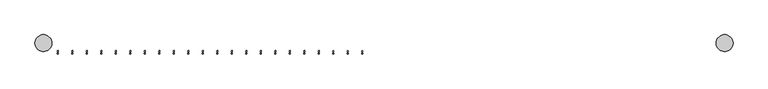
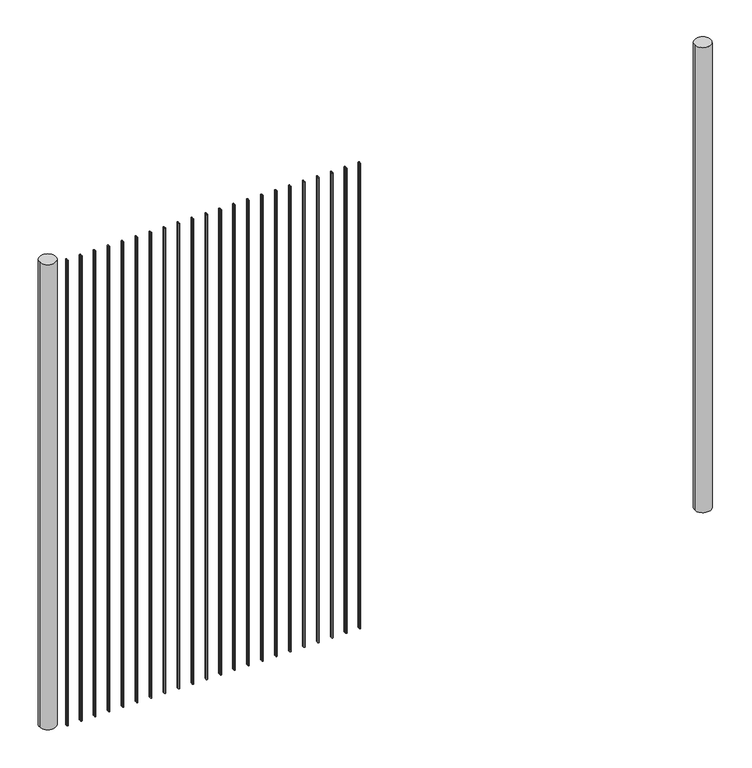
"""IFC4 building model written with IfcOpenShell, lengths in millimetres: railing geometry."""

from ifc_helpers import new_model, si_unit, point, frame, frame_2d, origin, place, context, project, spatial, circle_curve, trimmed, segment, composite_curve, outline, extrude, source, transform, mapped, element, save


def railing_7513a15b(model_context):
    return source(origin(), model_context, "Body", "SweptSolid", [
        extrude(outline(composite_curve([segment(trimmed(circle_curve(frame_2d((-4048.0794142, 643.7787637)), 2.0574), [point((-4048.0794142, 641.7213637))], [point((-4048.0794142, 645.8361637))], False, "CARTESIAN"), True, "CONTINUOUS"), segment(trimmed(circle_curve(frame_2d((-4048.0794142, 643.7787637)), 2.0574), [point((-4048.0794142, 645.8361637))], [point((-4048.0794142, 641.7213637))], False, "CARTESIAN"), True, "CONTINUOUS")], self_intersect=False)), frame((0.0, 0.0, 7620.0), z_axis=(0.0, 0.0, 1.0), x_axis=(1.0, 0.0, 0.0)), (0.0, 0.0, 1.0), 1828.8),
        extrude(outline(composite_curve([segment(trimmed(circle_curve(frame_2d((-4048.0794142, 635.5491637)), 2.0574), [point((-4048.0794142, 637.6065637))], [point((-4048.0794142, 633.4917637))], False, "CARTESIAN"), True, "CONTINUOUS"), segment(trimmed(circle_curve(frame_2d((-4048.0794142, 635.5491637)), 2.0574), [point((-4048.0794142, 633.4917637))], [point((-4048.0794142, 637.6065637))], False, "CARTESIAN"), True, "CONTINUOUS")], self_intersect=False)), frame((0.0, 0.0, 7620.0), z_axis=(0.0, 0.0, 1.0), x_axis=(1.0, 0.0, 0.0)), (0.0, 0.0, 1.0), 1828.8),
        extrude(outline(composite_curve([segment(trimmed(circle_curve(frame_2d((-4099.9602653, 643.7787637)), 2.0574), [point((-4099.9602653, 641.7213637))], [point((-4099.9602653, 645.8361637))], False, "CARTESIAN"), True, "CONTINUOUS"), segment(trimmed(circle_curve(frame_2d((-4099.9602653, 643.7787637)), 2.0574), [point((-4099.9602653, 645.8361637))], [point((-4099.9602653, 641.7213637))], False, "CARTESIAN"), True, "CONTINUOUS")], self_intersect=False)), frame((0.0, 0.0, 7620.0), z_axis=(0.0, 0.0, 1.0), x_axis=(1.0, 0.0, 0.0)), (0.0, 0.0, 1.0), 1828.8),
        extrude(outline(composite_curve([segment(trimmed(circle_curve(frame_2d((-4099.9602653, 635.5491637)), 2.0574), [point((-4099.9602653, 637.6065637))], [point((-4099.9602653, 633.4917637))], False, "CARTESIAN"), True, "CONTINUOUS"), segment(trimmed(circle_curve(frame_2d((-4099.9602653, 635.5491637)), 2.0574), [point((-4099.9602653, 633.4917637))], [point((-4099.9602653, 637.6065637))], False, "CARTESIAN"), True, "CONTINUOUS")], self_intersect=False)), frame((0.0, 0.0, 7620.0), z_axis=(0.0, 0.0, 1.0), x_axis=(1.0, 0.0, 0.0)), (0.0, 0.0, 1.0), 1828.8),
        extrude(outline(composite_curve([segment(trimmed(circle_curve(frame_2d((-4151.8411163, 643.7787637)), 2.0574), [point((-4151.8411163, 641.7213637))], [point((-4151.8411163, 645.8361637))], False, "CARTESIAN"), True, "CONTINUOUS"), segment(trimmed(circle_curve(frame_2d((-4151.8411163, 643.7787637)), 2.0574), [point((-4151.8411163, 645.8361637))], [point((-4151.8411163, 641.7213637))], False, "CARTESIAN"), True, "CONTINUOUS")], self_intersect=False)), frame((0.0, 0.0, 7620.0), z_axis=(0.0, 0.0, 1.0), x_axis=(1.0, 0.0, 0.0)), (0.0, 0.0, 1.0), 1828.8),
        extrude(outline(composite_curve([segment(trimmed(circle_curve(frame_2d((-4151.8411163, 635.5491637)), 2.0574), [point((-4151.8411163, 637.6065637))], [point((-4151.8411163, 633.4917637))], False, "CARTESIAN"), True, "CONTINUOUS"), segment(trimmed(circle_curve(frame_2d((-4151.8411163, 635.5491637)), 2.0574), [point((-4151.8411163, 633.4917637))], [point((-4151.8411163, 637.6065637))], False, "CARTESIAN"), True, "CONTINUOUS")], self_intersect=False)), frame((0.0, 0.0, 7620.0), z_axis=(0.0, 0.0, 1.0), x_axis=(1.0, 0.0, 0.0)), (0.0, 0.0, 1.0), 1828.8),
        extrude(outline(composite_curve([segment(trimmed(circle_curve(frame_2d((-4203.7219674, 643.7787637)), 2.0574), [point((-4203.7219674, 641.7213637))], [point((-4203.7219674, 645.8361637))], False, "CARTESIAN"), True, "CONTINUOUS"), segment(trimmed(circle_curve(frame_2d((-4203.7219674, 643.7787637)), 2.0574), [point((-4203.7219674, 645.8361637))], [point((-4203.7219674, 641.7213637))], False, "CARTESIAN"), True, "CONTINUOUS")], self_intersect=False)), frame((0.0, 0.0, 7620.0), z_axis=(0.0, 0.0, 1.0), x_axis=(1.0, 0.0, 0.0)), (0.0, 0.0, 1.0), 1828.8),
        extrude(outline(composite_curve([segment(trimmed(circle_curve(frame_2d((-4203.7219674, 635.5491637)), 2.0574), [point((-4203.7219674, 637.6065637))], [point((-4203.7219674, 633.4917637))], False, "CARTESIAN"), True, "CONTINUOUS"), segment(trimmed(circle_curve(frame_2d((-4203.7219674, 635.5491637)), 2.0574), [point((-4203.7219674, 633.4917637))], [point((-4203.7219674, 637.6065637))], False, "CARTESIAN"), True, "CONTINUOUS")], self_intersect=False)), frame((0.0, 0.0, 7620.0), z_axis=(0.0, 0.0, 1.0), x_axis=(1.0, 0.0, 0.0)), (0.0, 0.0, 1.0), 1828.8),
        extrude(outline(composite_curve([segment(trimmed(circle_curve(frame_2d((-4255.6028185, 643.7787637)), 2.0574), [point((-4255.6028185, 641.7213637))], [point((-4255.6028185, 645.8361637))], False, "CARTESIAN"), True, "CONTINUOUS"), segment(trimmed(circle_curve(frame_2d((-4255.6028185, 643.7787637)), 2.0574), [point((-4255.6028185, 645.8361637))], [point((-4255.6028185, 641.7213637))], False, "CARTESIAN"), True, "CONTINUOUS")], self_intersect=False)), frame((0.0, 0.0, 7620.0), z_axis=(0.0, 0.0, 1.0), x_axis=(1.0, 0.0, 0.0)), (0.0, 0.0, 1.0), 1828.8),
        extrude(outline(composite_curve([segment(trimmed(circle_curve(frame_2d((-4255.6028185, 635.5491637)), 2.0574), [point((-4255.6028185, 637.6065637))], [point((-4255.6028185, 633.4917637))], False, "CARTESIAN"), True, "CONTINUOUS"), segment(trimmed(circle_curve(frame_2d((-4255.6028185, 635.5491637)), 2.0574), [point((-4255.6028185, 633.4917637))], [point((-4255.6028185, 637.6065637))], False, "CARTESIAN"), True, "CONTINUOUS")], self_intersect=False)), frame((0.0, 0.0, 7620.0), z_axis=(0.0, 0.0, 1.0), x_axis=(1.0, 0.0, 0.0)), (0.0, 0.0, 1.0), 1828.8),
        extrude(outline(composite_curve([segment(trimmed(circle_curve(frame_2d((-4307.4836695, 643.7787637)), 2.0574), [point((-4307.4836695, 641.7213637))], [point((-4307.4836695, 645.8361637))], False, "CARTESIAN"), True, "CONTINUOUS"), segment(trimmed(circle_curve(frame_2d((-4307.4836695, 643.7787637)), 2.0574), [point((-4307.4836695, 645.8361637))], [point((-4307.4836695, 641.7213637))], False, "CARTESIAN"), True, "CONTINUOUS")], self_intersect=False)), frame((0.0, 0.0, 7620.0), z_axis=(0.0, 0.0, 1.0), x_axis=(1.0, 0.0, 0.0)), (0.0, 0.0, 1.0), 1828.8),
        extrude(outline(composite_curve([segment(trimmed(circle_curve(frame_2d((-4307.4836695, 635.5491637)), 2.0574), [point((-4307.4836695, 637.6065637))], [point((-4307.4836695, 633.4917637))], False, "CARTESIAN"), True, "CONTINUOUS"), segment(trimmed(circle_curve(frame_2d((-4307.4836695, 635.5491637)), 2.0574), [point((-4307.4836695, 633.4917637))], [point((-4307.4836695, 637.6065637))], False, "CARTESIAN"), True, "CONTINUOUS")], self_intersect=False)), frame((0.0, 0.0, 7620.0), z_axis=(0.0, 0.0, 1.0), x_axis=(1.0, 0.0, 0.0)), (0.0, 0.0, 1.0), 1828.8),
        extrude(outline(composite_curve([segment(trimmed(circle_curve(frame_2d((-4359.3645206, 643.7787637)), 2.0574), [point((-4359.3645206, 641.7213637))], [point((-4359.3645206, 645.8361637))], False, "CARTESIAN"), True, "CONTINUOUS"), segment(trimmed(circle_curve(frame_2d((-4359.3645206, 643.7787637)), 2.0574), [point((-4359.3645206, 645.8361637))], [point((-4359.3645206, 641.7213637))], False, "CARTESIAN"), True, "CONTINUOUS")], self_intersect=False)), frame((0.0, 0.0, 7620.0), z_axis=(0.0, 0.0, 1.0), x_axis=(1.0, 0.0, 0.0)), (0.0, 0.0, 1.0), 1828.8),
        extrude(outline(composite_curve([segment(trimmed(circle_curve(frame_2d((-4359.3645206, 635.5491637)), 2.0574), [point((-4359.3645206, 637.6065637))], [point((-4359.3645206, 633.4917637))], False, "CARTESIAN"), True, "CONTINUOUS"), segment(trimmed(circle_curve(frame_2d((-4359.3645206, 635.5491637)), 2.0574), [point((-4359.3645206, 633.4917637))], [point((-4359.3645206, 637.6065637))], False, "CARTESIAN"), True, "CONTINUOUS")], self_intersect=False)), frame((0.0, 0.0, 7620.0), z_axis=(0.0, 0.0, 1.0), x_axis=(1.0, 0.0, 0.0)), (0.0, 0.0, 1.0), 1828.8),
        extrude(outline(composite_curve([segment(trimmed(circle_curve(frame_2d((-4411.2453717, 643.7787637)), 2.0574), [point((-4411.2453717, 641.7213637))], [point((-4411.2453717, 645.8361637))], False, "CARTESIAN"), True, "CONTINUOUS"), segment(trimmed(circle_curve(frame_2d((-4411.2453717, 643.7787637)), 2.0574), [point((-4411.2453717, 645.8361637))], [point((-4411.2453717, 641.7213637))], False, "CARTESIAN"), True, "CONTINUOUS")], self_intersect=False)), frame((0.0, 0.0, 7620.0), z_axis=(0.0, 0.0, 1.0), x_axis=(1.0, 0.0, 0.0)), (0.0, 0.0, 1.0), 1828.8),
        extrude(outline(composite_curve([segment(trimmed(circle_curve(frame_2d((-4411.2453717, 635.5491637)), 2.0574), [point((-4411.2453717, 637.6065637))], [point((-4411.2453717, 633.4917637))], False, "CARTESIAN"), True, "CONTINUOUS"), segment(trimmed(circle_curve(frame_2d((-4411.2453717, 635.5491637)), 2.0574), [point((-4411.2453717, 633.4917637))], [point((-4411.2453717, 637.6065637))], False, "CARTESIAN"), True, "CONTINUOUS")], self_intersect=False)), frame((0.0, 0.0, 7620.0), z_axis=(0.0, 0.0, 1.0), x_axis=(1.0, 0.0, 0.0)), (0.0, 0.0, 1.0), 1828.8),
        extrude(outline(composite_curve([segment(trimmed(circle_curve(frame_2d((-4463.1262227, 643.7787637)), 2.0574), [point((-4463.1262227, 641.7213637))], [point((-4463.1262227, 645.8361637))], False, "CARTESIAN"), True, "CONTINUOUS"), segment(trimmed(circle_curve(frame_2d((-4463.1262227, 643.7787637)), 2.0574), [point((-4463.1262227, 645.8361637))], [point((-4463.1262227, 641.7213637))], False, "CARTESIAN"), True, "CONTINUOUS")], self_intersect=False)), frame((0.0, 0.0, 7620.0), z_axis=(0.0, 0.0, 1.0), x_axis=(1.0, 0.0, 0.0)), (0.0, 0.0, 1.0), 1828.8),
        extrude(outline(composite_curve([segment(trimmed(circle_curve(frame_2d((-4463.1262227, 635.5491637)), 2.0574), [point((-4463.1262227, 637.6065637))], [point((-4463.1262227, 633.4917637))], False, "CARTESIAN"), True, "CONTINUOUS"), segment(trimmed(circle_curve(frame_2d((-4463.1262227, 635.5491637)), 2.0574), [point((-4463.1262227, 633.4917637))], [point((-4463.1262227, 637.6065637))], False, "CARTESIAN"), True, "CONTINUOUS")], self_intersect=False)), frame((0.0, 0.0, 7620.0), z_axis=(0.0, 0.0, 1.0), x_axis=(1.0, 0.0, 0.0)), (0.0, 0.0, 1.0), 1828.8),
        extrude(outline(composite_curve([segment(trimmed(circle_curve(frame_2d((-4515.0070738, 643.7787637)), 2.0574), [point((-4515.0070738, 641.7213637))], [point((-4515.0070738, 645.8361637))], False, "CARTESIAN"), True, "CONTINUOUS"), segment(trimmed(circle_curve(frame_2d((-4515.0070738, 643.7787637)), 2.0574), [point((-4515.0070738, 645.8361637))], [point((-4515.0070738, 641.7213637))], False, "CARTESIAN"), True, "CONTINUOUS")], self_intersect=False)), frame((0.0, 0.0, 7620.0), z_axis=(0.0, 0.0, 1.0), x_axis=(1.0, 0.0, 0.0)), (0.0, 0.0, 1.0), 1828.8),
        extrude(outline(composite_curve([segment(trimmed(circle_curve(frame_2d((-4515.0070738, 635.5491637)), 2.0574), [point((-4515.0070738, 637.6065637))], [point((-4515.0070738, 633.4917637))], False, "CARTESIAN"), True, "CONTINUOUS"), segment(trimmed(circle_curve(frame_2d((-4515.0070738, 635.5491637)), 2.0574), [point((-4515.0070738, 633.4917637))], [point((-4515.0070738, 637.6065637))], False, "CARTESIAN"), True, "CONTINUOUS")], self_intersect=False)), frame((0.0, 0.0, 7620.0), z_axis=(0.0, 0.0, 1.0), x_axis=(1.0, 0.0, 0.0)), (0.0, 0.0, 1.0), 1828.8),
        extrude(outline(composite_curve([segment(trimmed(circle_curve(frame_2d((-4566.8879248, 643.7787637)), 2.0574), [point((-4566.8879248, 641.7213637))], [point((-4566.8879248, 645.8361637))], False, "CARTESIAN"), True, "CONTINUOUS"), segment(trimmed(circle_curve(frame_2d((-4566.8879248, 643.7787637)), 2.0574), [point((-4566.8879248, 645.8361637))], [point((-4566.8879248, 641.7213637))], False, "CARTESIAN"), True, "CONTINUOUS")], self_intersect=False)), frame((0.0, 0.0, 7620.0), z_axis=(0.0, 0.0, 1.0), x_axis=(1.0, 0.0, 0.0)), (0.0, 0.0, 1.0), 1828.8),
        extrude(outline(composite_curve([segment(trimmed(circle_curve(frame_2d((-4566.8879248, 635.5491637)), 2.0574), [point((-4566.8879248, 637.6065637))], [point((-4566.8879248, 633.4917637))], False, "CARTESIAN"), True, "CONTINUOUS"), segment(trimmed(circle_curve(frame_2d((-4566.8879248, 635.5491637)), 2.0574), [point((-4566.8879248, 633.4917637))], [point((-4566.8879248, 637.6065637))], False, "CARTESIAN"), True, "CONTINUOUS")], self_intersect=False)), frame((0.0, 0.0, 7620.0), z_axis=(0.0, 0.0, 1.0), x_axis=(1.0, 0.0, 0.0)), (0.0, 0.0, 1.0), 1828.8),
        extrude(outline(composite_curve([segment(trimmed(circle_curve(frame_2d((-4618.7687759, 643.7787637)), 2.0574), [point((-4618.7687759, 641.7213637))], [point((-4618.7687759, 645.8361637))], False, "CARTESIAN"), True, "CONTINUOUS"), segment(trimmed(circle_curve(frame_2d((-4618.7687759, 643.7787637)), 2.0574), [point((-4618.7687759, 645.8361637))], [point((-4618.7687759, 641.7213637))], False, "CARTESIAN"), True, "CONTINUOUS")], self_intersect=False)), frame((0.0, 0.0, 7620.0), z_axis=(0.0, 0.0, 1.0), x_axis=(1.0, 0.0, 0.0)), (0.0, 0.0, 1.0), 1828.8),
        extrude(outline(composite_curve([segment(trimmed(circle_curve(frame_2d((-4618.7687759, 635.5491637)), 2.0574), [point((-4618.7687759, 637.6065637))], [point((-4618.7687759, 633.4917637))], False, "CARTESIAN"), True, "CONTINUOUS"), segment(trimmed(circle_curve(frame_2d((-4618.7687759, 635.5491637)), 2.0574), [point((-4618.7687759, 633.4917637))], [point((-4618.7687759, 637.6065637))], False, "CARTESIAN"), True, "CONTINUOUS")], self_intersect=False)), frame((0.0, 0.0, 7620.0), z_axis=(0.0, 0.0, 1.0), x_axis=(1.0, 0.0, 0.0)), (0.0, 0.0, 1.0), 1828.8),
        extrude(outline(composite_curve([segment(trimmed(circle_curve(frame_2d((-4670.649627, 643.7787637)), 2.0574), [point((-4670.649627, 641.7213637))], [point((-4670.649627, 645.8361637))], False, "CARTESIAN"), True, "CONTINUOUS"), segment(trimmed(circle_curve(frame_2d((-4670.649627, 643.7787637)), 2.0574), [point((-4670.649627, 645.8361637))], [point((-4670.649627, 641.7213637))], False, "CARTESIAN"), True, "CONTINUOUS")], self_intersect=False)), frame((0.0, 0.0, 7620.0), z_axis=(0.0, 0.0, 1.0), x_axis=(1.0, 0.0, 0.0)), (0.0, 0.0, 1.0), 1828.8),
        extrude(outline(composite_curve([segment(trimmed(circle_curve(frame_2d((-4670.649627, 635.5491637)), 2.0574), [point((-4670.649627, 637.6065637))], [point((-4670.649627, 633.4917637))], False, "CARTESIAN"), True, "CONTINUOUS"), segment(trimmed(circle_curve(frame_2d((-4670.649627, 635.5491637)), 2.0574), [point((-4670.649627, 633.4917637))], [point((-4670.649627, 637.6065637))], False, "CARTESIAN"), True, "CONTINUOUS")], self_intersect=False)), frame((0.0, 0.0, 7620.0), z_axis=(0.0, 0.0, 1.0), x_axis=(1.0, 0.0, 0.0)), (0.0, 0.0, 1.0), 1828.8),
        extrude(outline(composite_curve([segment(trimmed(circle_curve(frame_2d((-4722.530478, 643.7787637)), 2.0574), [point((-4722.530478, 641.7213637))], [point((-4722.530478, 645.8361637))], False, "CARTESIAN"), True, "CONTINUOUS"), segment(trimmed(circle_curve(frame_2d((-4722.530478, 643.7787637)), 2.0574), [point((-4722.530478, 645.8361637))], [point((-4722.530478, 641.7213637))], False, "CARTESIAN"), True, "CONTINUOUS")], self_intersect=False)), frame((0.0, 0.0, 7620.0), z_axis=(0.0, 0.0, 1.0), x_axis=(1.0, 0.0, 0.0)), (0.0, 0.0, 1.0), 1828.8),
        extrude(outline(composite_curve([segment(trimmed(circle_curve(frame_2d((-4722.530478, 635.5491637)), 2.0574), [point((-4722.530478, 637.6065637))], [point((-4722.530478, 633.4917637))], False, "CARTESIAN"), True, "CONTINUOUS"), segment(trimmed(circle_curve(frame_2d((-4722.530478, 635.5491637)), 2.0574), [point((-4722.530478, 633.4917637))], [point((-4722.530478, 637.6065637))], False, "CARTESIAN"), True, "CONTINUOUS")], self_intersect=False)), frame((0.0, 0.0, 7620.0), z_axis=(0.0, 0.0, 1.0), x_axis=(1.0, 0.0, 0.0)), (0.0, 0.0, 1.0), 1828.8),
        extrude(outline(composite_curve([segment(trimmed(circle_curve(frame_2d((-4774.4113291, 643.7787637)), 2.0574), [point((-4774.4113291, 641.7213637))], [point((-4774.4113291, 645.8361637))], False, "CARTESIAN"), True, "CONTINUOUS"), segment(trimmed(circle_curve(frame_2d((-4774.4113291, 643.7787637)), 2.0574), [point((-4774.4113291, 645.8361637))], [point((-4774.4113291, 641.7213637))], False, "CARTESIAN"), True, "CONTINUOUS")], self_intersect=False)), frame((0.0, 0.0, 7620.0), z_axis=(0.0, 0.0, 1.0), x_axis=(1.0, 0.0, 0.0)), (0.0, 0.0, 1.0), 1828.8),
        extrude(outline(composite_curve([segment(trimmed(circle_curve(frame_2d((-4774.4113291, 635.5491637)), 2.0574), [point((-4774.4113291, 637.6065637))], [point((-4774.4113291, 633.4917637))], False, "CARTESIAN"), True, "CONTINUOUS"), segment(trimmed(circle_curve(frame_2d((-4774.4113291, 635.5491637)), 2.0574), [point((-4774.4113291, 633.4917637))], [point((-4774.4113291, 637.6065637))], False, "CARTESIAN"), True, "CONTINUOUS")], self_intersect=False)), frame((0.0, 0.0, 7620.0), z_axis=(0.0, 0.0, 1.0), x_axis=(1.0, 0.0, 0.0)), (0.0, 0.0, 1.0), 1828.8),
        extrude(outline(composite_curve([segment(trimmed(circle_curve(frame_2d((-4826.2921802, 643.7787637)), 2.0574), [point((-4826.2921802, 641.7213637))], [point((-4826.2921802, 645.8361637))], False, "CARTESIAN"), True, "CONTINUOUS"), segment(trimmed(circle_curve(frame_2d((-4826.2921802, 643.7787637)), 2.0574), [point((-4826.2921802, 645.8361637))], [point((-4826.2921802, 641.7213637))], False, "CARTESIAN"), True, "CONTINUOUS")], self_intersect=False)), frame((0.0, 0.0, 7620.0), z_axis=(0.0, 0.0, 1.0), x_axis=(1.0, 0.0, 0.0)), (0.0, 0.0, 1.0), 1828.8),
        extrude(outline(composite_curve([segment(trimmed(circle_curve(frame_2d((-4826.2921802, 635.5491637)), 2.0574), [point((-4826.2921802, 637.6065637))], [point((-4826.2921802, 633.4917637))], False, "CARTESIAN"), True, "CONTINUOUS"), segment(trimmed(circle_curve(frame_2d((-4826.2921802, 635.5491637)), 2.0574), [point((-4826.2921802, 633.4917637))], [point((-4826.2921802, 637.6065637))], False, "CARTESIAN"), True, "CONTINUOUS")], self_intersect=False)), frame((0.0, 0.0, 7620.0), z_axis=(0.0, 0.0, 1.0), x_axis=(1.0, 0.0, 0.0)), (0.0, 0.0, 1.0), 1828.8),
        extrude(outline(composite_curve([segment(trimmed(circle_curve(frame_2d((-4878.1730312, 643.7787637)), 2.0574), [point((-4878.1730312, 641.7213637))], [point((-4878.1730312, 645.8361637))], False, "CARTESIAN"), True, "CONTINUOUS"), segment(trimmed(circle_curve(frame_2d((-4878.1730312, 643.7787637)), 2.0574), [point((-4878.1730312, 645.8361637))], [point((-4878.1730312, 641.7213637))], False, "CARTESIAN"), True, "CONTINUOUS")], self_intersect=False)), frame((0.0, 0.0, 7620.0), z_axis=(0.0, 0.0, 1.0), x_axis=(1.0, 0.0, 0.0)), (0.0, 0.0, 1.0), 1828.8),
        extrude(outline(composite_curve([segment(trimmed(circle_curve(frame_2d((-4878.1730312, 635.5491637)), 2.0574), [point((-4878.1730312, 637.6065637))], [point((-4878.1730312, 633.4917637))], False, "CARTESIAN"), True, "CONTINUOUS"), segment(trimmed(circle_curve(frame_2d((-4878.1730312, 635.5491637)), 2.0574), [point((-4878.1730312, 633.4917637))], [point((-4878.1730312, 637.6065637))], False, "CARTESIAN"), True, "CONTINUOUS")], self_intersect=False)), frame((0.0, 0.0, 7620.0), z_axis=(0.0, 0.0, 1.0), x_axis=(1.0, 0.0, 0.0)), (0.0, 0.0, 1.0), 1828.8),
        extrude(outline(composite_curve([segment(trimmed(circle_curve(frame_2d((-4930.0538823, 643.7787637)), 2.0574), [point((-4930.0538823, 641.7213637))], [point((-4930.0538823, 645.8361637))], False, "CARTESIAN"), True, "CONTINUOUS"), segment(trimmed(circle_curve(frame_2d((-4930.0538823, 643.7787637)), 2.0574), [point((-4930.0538823, 645.8361637))], [point((-4930.0538823, 641.7213637))], False, "CARTESIAN"), True, "CONTINUOUS")], self_intersect=False)), frame((0.0, 0.0, 7620.0), z_axis=(0.0, 0.0, 1.0), x_axis=(1.0, 0.0, 0.0)), (0.0, 0.0, 1.0), 1828.8),
        extrude(outline(composite_curve([segment(trimmed(circle_curve(frame_2d((-4930.0538823, 635.5491637)), 2.0574), [point((-4930.0538823, 637.6065637))], [point((-4930.0538823, 633.4917637))], False, "CARTESIAN"), True, "CONTINUOUS"), segment(trimmed(circle_curve(frame_2d((-4930.0538823, 635.5491637)), 2.0574), [point((-4930.0538823, 633.4917637))], [point((-4930.0538823, 637.6065637))], False, "CARTESIAN"), True, "CONTINUOUS")], self_intersect=False)), frame((0.0, 0.0, 7620.0), z_axis=(0.0, 0.0, 1.0), x_axis=(1.0, 0.0, 0.0)), (0.0, 0.0, 1.0), 1828.8),
        extrude(outline(composite_curve([segment(trimmed(circle_curve(frame_2d((-4981.9347334, 643.7787637)), 2.0574), [point((-4981.9347334, 641.7213637))], [point((-4981.9347334, 645.8361637))], False, "CARTESIAN"), True, "CONTINUOUS"), segment(trimmed(circle_curve(frame_2d((-4981.9347334, 643.7787637)), 2.0574), [point((-4981.9347334, 645.8361637))], [point((-4981.9347334, 641.7213637))], False, "CARTESIAN"), True, "CONTINUOUS")], self_intersect=False)), frame((0.0, 0.0, 7620.0), z_axis=(0.0, 0.0, 1.0), x_axis=(1.0, 0.0, 0.0)), (0.0, 0.0, 1.0), 1828.8),
        extrude(outline(composite_curve([segment(trimmed(circle_curve(frame_2d((-4981.9347334, 635.5491637)), 2.0574), [point((-4981.9347334, 637.6065637))], [point((-4981.9347334, 633.4917637))], False, "CARTESIAN"), True, "CONTINUOUS"), segment(trimmed(circle_curve(frame_2d((-4981.9347334, 635.5491637)), 2.0574), [point((-4981.9347334, 633.4917637))], [point((-4981.9347334, 637.6065637))], False, "CARTESIAN"), True, "CONTINUOUS")], self_intersect=False)), frame((0.0, 0.0, 7620.0), z_axis=(0.0, 0.0, 1.0), x_axis=(1.0, 0.0, 0.0)), (0.0, 0.0, 1.0), 1828.8),
        extrude(outline(composite_curve([segment(trimmed(circle_curve(frame_2d((-5033.8155844, 643.7787637)), 2.0574), [point((-5033.8155844, 641.7213637))], [point((-5033.8155844, 645.8361637))], False, "CARTESIAN"), True, "CONTINUOUS"), segment(trimmed(circle_curve(frame_2d((-5033.8155844, 643.7787637)), 2.0574), [point((-5033.8155844, 645.8361637))], [point((-5033.8155844, 641.7213637))], False, "CARTESIAN"), True, "CONTINUOUS")], self_intersect=False)), frame((0.0, 0.0, 7620.0), z_axis=(0.0, 0.0, 1.0), x_axis=(1.0, 0.0, 0.0)), (0.0, 0.0, 1.0), 1828.8),
        extrude(outline(composite_curve([segment(trimmed(circle_curve(frame_2d((-5033.8155844, 635.5491637)), 2.0574), [point((-5033.8155844, 637.6065637))], [point((-5033.8155844, 633.4917637))], False, "CARTESIAN"), True, "CONTINUOUS"), segment(trimmed(circle_curve(frame_2d((-5033.8155844, 635.5491637)), 2.0574), [point((-5033.8155844, 633.4917637))], [point((-5033.8155844, 637.6065637))], False, "CARTESIAN"), True, "CONTINUOUS")], self_intersect=False)), frame((0.0, 0.0, 7620.0), z_axis=(0.0, 0.0, 1.0), x_axis=(1.0, 0.0, 0.0)), (0.0, 0.0, 1.0), 1828.8),
        extrude(outline(composite_curve([segment(trimmed(circle_curve(frame_2d((-5085.6964355, 643.7787637)), 2.0574), [point((-5085.6964355, 641.7213637))], [point((-5085.6964355, 645.8361637))], False, "CARTESIAN"), True, "CONTINUOUS"), segment(trimmed(circle_curve(frame_2d((-5085.6964355, 643.7787637)), 2.0574), [point((-5085.6964355, 645.8361637))], [point((-5085.6964355, 641.7213637))], False, "CARTESIAN"), True, "CONTINUOUS")], self_intersect=False)), frame((0.0, 0.0, 7620.0), z_axis=(0.0, 0.0, 1.0), x_axis=(1.0, 0.0, 0.0)), (0.0, 0.0, 1.0), 1828.8),
        extrude(outline(composite_curve([segment(trimmed(circle_curve(frame_2d((-5085.6964355, 635.5491637)), 2.0574), [point((-5085.6964355, 637.6065637))], [point((-5085.6964355, 633.4917637))], False, "CARTESIAN"), True, "CONTINUOUS"), segment(trimmed(circle_curve(frame_2d((-5085.6964355, 635.5491637)), 2.0574), [point((-5085.6964355, 633.4917637))], [point((-5085.6964355, 637.6065637))], False, "CARTESIAN"), True, "CONTINUOUS")], self_intersect=False)), frame((0.0, 0.0, 7620.0), z_axis=(0.0, 0.0, 1.0), x_axis=(1.0, 0.0, 0.0)), (0.0, 0.0, 1.0), 1828.8),
        extrude(outline(composite_curve([segment(trimmed(circle_curve(frame_2d((-5137.5772865, 643.7787637)), 2.0574), [point((-5137.5772865, 641.7213637))], [point((-5137.5772865, 645.8361637))], False, "CARTESIAN"), True, "CONTINUOUS"), segment(trimmed(circle_curve(frame_2d((-5137.5772865, 643.7787637)), 2.0574), [point((-5137.5772865, 645.8361637))], [point((-5137.5772865, 641.7213637))], False, "CARTESIAN"), True, "CONTINUOUS")], self_intersect=False)), frame((0.0, 0.0, 7620.0), z_axis=(0.0, 0.0, 1.0), x_axis=(1.0, 0.0, 0.0)), (0.0, 0.0, 1.0), 1828.8),
        extrude(outline(composite_curve([segment(trimmed(circle_curve(frame_2d((-5137.5772865, 635.5491637)), 2.0574), [point((-5137.5772865, 637.6065637))], [point((-5137.5772865, 633.4917637))], False, "CARTESIAN"), True, "CONTINUOUS"), segment(trimmed(circle_curve(frame_2d((-5137.5772865, 635.5491637)), 2.0574), [point((-5137.5772865, 633.4917637))], [point((-5137.5772865, 637.6065637))], False, "CARTESIAN"), True, "CONTINUOUS")], self_intersect=False)), frame((0.0, 0.0, 7620.0), z_axis=(0.0, 0.0, 1.0), x_axis=(1.0, 0.0, 0.0)), (0.0, 0.0, 1.0), 1828.8),
        extrude(outline(composite_curve([segment(trimmed(circle_curve(frame_2d((-2751.0581376, 673.0014637)), 30.1625), [point((-2781.2206376, 673.0014637))], [point((-2720.8956376, 673.0014637))], False, "CARTESIAN"), True, "CONTINUOUS"), segment(trimmed(circle_curve(frame_2d((-2751.0581376, 673.0014637)), 30.1625), [point((-2720.8956376, 673.0014637))], [point((-2781.2206376, 673.0014637))], False, "CARTESIAN"), True, "CONTINUOUS")], self_intersect=False)), frame((0.0, 0.0, 7620.0), z_axis=(0.0, 0.0, 1.0), x_axis=(1.0, 0.0, 0.0)), (0.0, 0.0, 1.0), 1828.8),
        extrude(outline(composite_curve([segment(trimmed(circle_curve(frame_2d((-5189.4581376, 673.0014637)), 30.1625), [point((-5219.6206376, 673.0014637))], [point((-5159.2956376, 673.0014637))], False, "CARTESIAN"), True, "CONTINUOUS"), segment(trimmed(circle_curve(frame_2d((-5189.4581376, 673.0014637)), 30.1625), [point((-5159.2956376, 673.0014637))], [point((-5219.6206376, 673.0014637))], False, "CARTESIAN"), True, "CONTINUOUS")], self_intersect=False)), frame((0.0, 0.0, 7620.0), z_axis=(0.0, 0.0, 1.0), x_axis=(1.0, 0.0, 0.0)), (0.0, 0.0, 1.0), 1828.8),
    ])


if __name__ == "__main__":
    model = new_model("IFC4")
    model_context = context("Model", 3, world=origin())
    ifc_project = project(units=[si_unit("LENGTHUNIT", "METRE", prefix="MILLI")], contexts=[model_context])
    site = spatial("IfcSite", under=ifc_project)
    building = spatial("IfcBuilding", under=site)
    placement = place(None, origin())
    railing_shape = railing_7513a15b(model_context)
    element("IfcRailing", 1, at=placement, inside=building, context=model_context, shape_type="MappedRepresentation", body=[
        mapped(railing_shape, transform((0.0, 0.0, 0.0), x_axis=(1.0, 0.0, 0.0), y_axis=(0.0, 1.0, 0.0), z_axis=(0.0, 0.0, 1.0))),
    ])
    save(model, "model.ifc")
